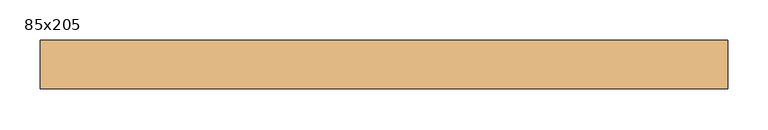
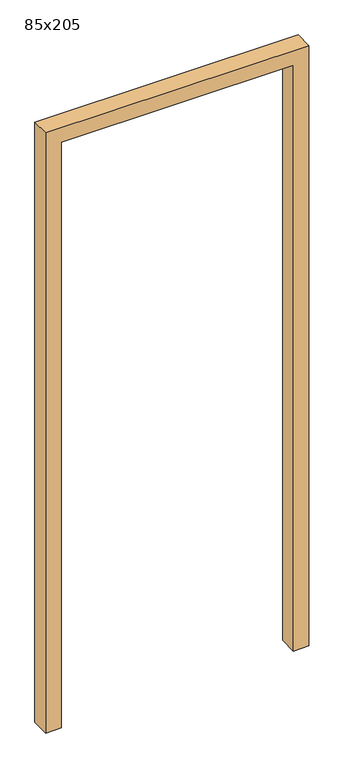
"""IFC4 building model written with IfcOpenShell, lengths in millimetres: door geometry, 85x205."""

from ifc_helpers import new_model, si_unit, frame, origin, place, context, project, spatial, polyline, outline, extrude, source, transform, mapped, element, save


def door_85x205_8ec4aa81(model_context):
    return source(origin(), model_context, "Body", "SweptSolid", [
        extrude(outline(polyline([(2000.0, 375.0), (0.0, 375.0), (0.0, 425.0), (2050.0, 425.0), (2050.0, -425.0), (0.0, -425.0), (0.0, -375.0), (2000.0, -375.0), (2000.0, 375.0)])), frame((0.0, -20.0, 0.0), z_axis=(0.0, 1.0, 0.0), x_axis=(0.0, 0.0, 1.0)), (0.0, 0.0, 1.0), 60.0),
    ])


if __name__ == "__main__":
    model = new_model("IFC4")
    model_context = context("Model", 3, world=origin())
    ifc_project = project(units=[si_unit("LENGTHUNIT", "METRE", prefix="MILLI")], contexts=[model_context])
    site = spatial("IfcSite", under=ifc_project)
    building = spatial("IfcBuilding", under=site)
    placement = place(None, origin())
    door_85x205_shape = door_85x205_8ec4aa81(model_context)
    element("IfcDoor", 1, ObjectType="85x205", at=placement, inside=building, context=model_context, shape_type="MappedRepresentation", body=[
        mapped(door_85x205_shape, transform((0.0, 0.0, 0.0), x_axis=(1.0, 0.0, 0.0), y_axis=(0.0, 1.0, 0.0), z_axis=(0.0, 0.0, 1.0))),
    ])
    save(model, "model.ifc")
